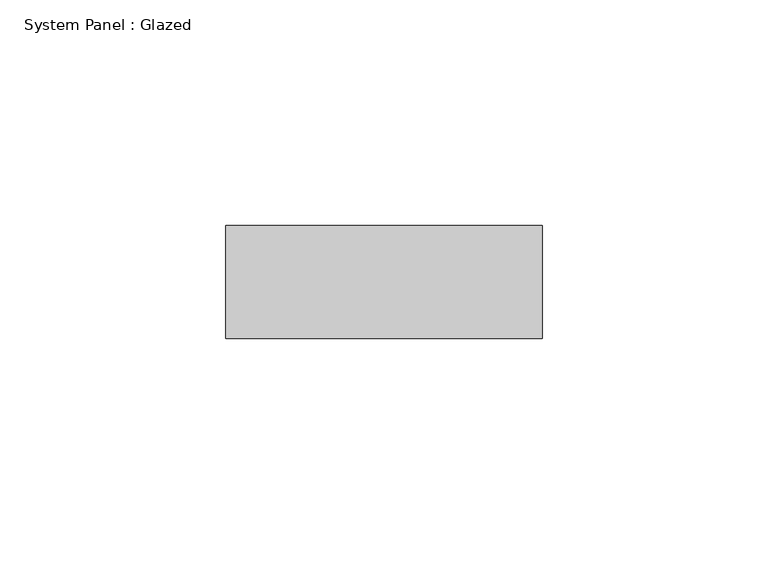
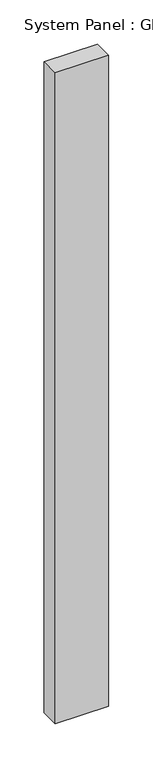
"""IFC4 building model written with IfcOpenShell, lengths in millimetres: plate geometry, System Panel : Glazed."""

from ifc_helpers import new_model, si_unit, origin, origin_with_axes, place, context, project, spatial, polyline, outline, extrude, source, transform, mapped, element, save


def system_panel_glazed_260496a7(model_context):
    return source(origin(), model_context, "Body", "SweptSolid", [
        extrude(outline(polyline([(35.0, 24.5), (-35.0, 24.5), (-35.0, 49.5), (35.0, 49.5), (35.0, 24.5)])), origin_with_axes(), (0.0, 0.0, 1.0), 899.0),
    ])


if __name__ == "__main__":
    model = new_model("IFC4")
    model_context = context("Model", 3, world=origin())
    ifc_project = project(units=[si_unit("LENGTHUNIT", "METRE", prefix="MILLI")], contexts=[model_context])
    site = spatial("IfcSite", under=ifc_project)
    building = spatial("IfcBuilding", under=site)
    placement = place(None, origin())
    system_panel_glazed_shape = system_panel_glazed_260496a7(model_context)
    element("IfcPlate", 1, ObjectType="System Panel : Glazed", at=placement, inside=building, context=model_context, shape_type="MappedRepresentation", body=[
        mapped(system_panel_glazed_shape, transform((0.0, 0.0, 0.0), x_axis=(1.0, 0.0, 0.0), y_axis=(0.0, 1.0, 0.0), z_axis=(0.0, 0.0, 1.0))),
    ])
    save(model, "model.ifc")
